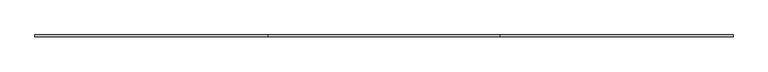
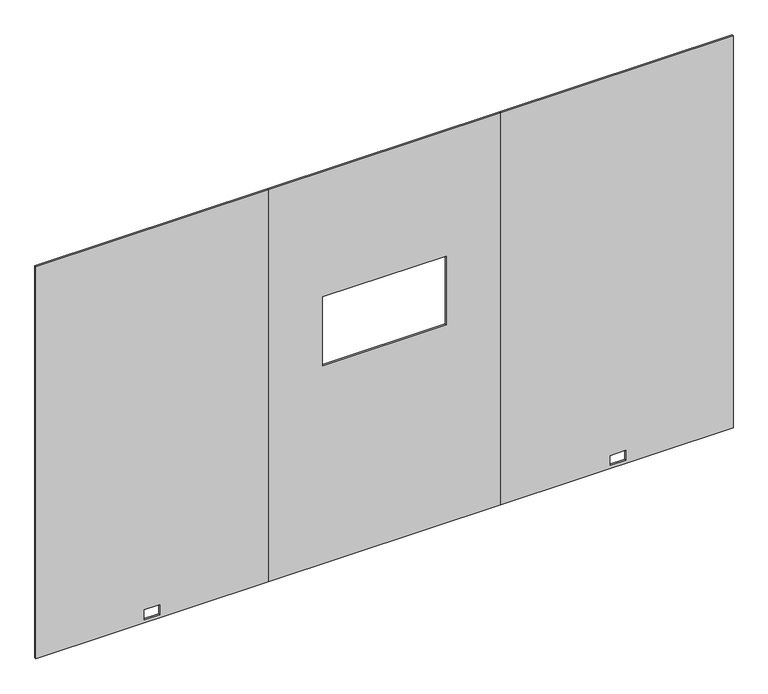
"""IFC4 building model written with IfcOpenShell, lengths in millimetres: furniture geometry."""

from ifc_helpers import new_model, si_unit, frame, origin, place, context, project, spatial, polyline, outline, extrude, source, transform, mapped, element, save


def furniture_0b925cfc(model_context):
    return source(origin(), model_context, "Body", "SweptSolid", [
        extrude(outline(polyline([(12.7, 0.0), (12.7, 1219.2), (2186.3010468, 1219.2), (2186.3010468, 0.0), (12.7, 0.0)]), holes=[polyline([(29.6164, 568.4774), (83.9724, 568.4774), (83.9724, 650.7226), (29.6164, 650.7226), (29.6164, 568.4774)])]), frame((0.0, -4.7752, 0.0), z_axis=(0.0, 1.0, 0.0), x_axis=(0.0, 0.0, 1.0)), (0.0, 0.0, 1.0), 9.525),
        extrude(outline(polyline([(12.7, 2438.4), (12.7, 3657.6), (2186.3010468, 3657.6), (2186.3010468, 2438.4), (12.7, 2438.4)]), holes=[polyline([(83.9724, 3013.1631299), (83.9724, 3095.4083299), (29.6164, 3095.4083299), (29.6164, 3013.1631299), (83.9724, 3013.1631299)])]), frame((0.0, -4.7752, 0.0), z_axis=(0.0, 1.0, 0.0), x_axis=(0.0, 0.0, 1.0)), (0.0, 0.0, 1.0), 9.525),
        extrude(outline(polyline([(12.7, 1219.2), (12.7, 2438.4), (2186.3010468, 2438.4), (2186.3010468, 1219.2), (12.7, 1219.2)]), holes=[polyline([(1491.9706, 1504.95), (1491.9706, 2152.65), (1110.9706, 2152.65), (1110.9706, 1504.95), (1491.9706, 1504.95)])]), frame((0.0, -4.7752, 0.0), z_axis=(0.0, 1.0, 0.0), x_axis=(0.0, 0.0, 1.0)), (0.0, 0.0, 1.0), 9.525),
    ])


if __name__ == "__main__":
    model = new_model("IFC4")
    model_context = context("Model", 3, world=origin())
    ifc_project = project(units=[si_unit("LENGTHUNIT", "METRE", prefix="MILLI")], contexts=[model_context])
    site = spatial("IfcSite", under=ifc_project)
    building = spatial("IfcBuilding", under=site)
    placement = place(None, origin())
    furniture_shape = furniture_0b925cfc(model_context)
    element("IfcFurniture", 1, at=placement, inside=building, context=model_context, shape_type="MappedRepresentation", body=[
        mapped(furniture_shape, transform((0.0, 0.0, 0.0), x_axis=(1.0, 0.0, 0.0), y_axis=(0.0, 1.0, 0.0), z_axis=(0.0, 0.0, 1.0))),
    ])
    save(model, "model.ifc")
